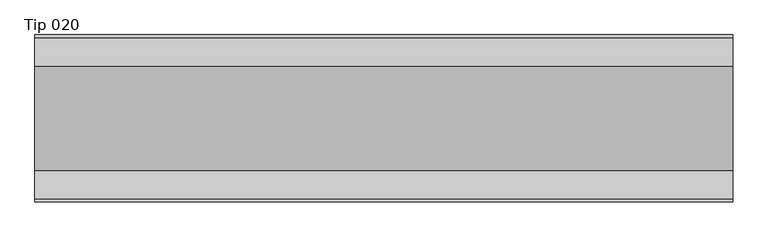
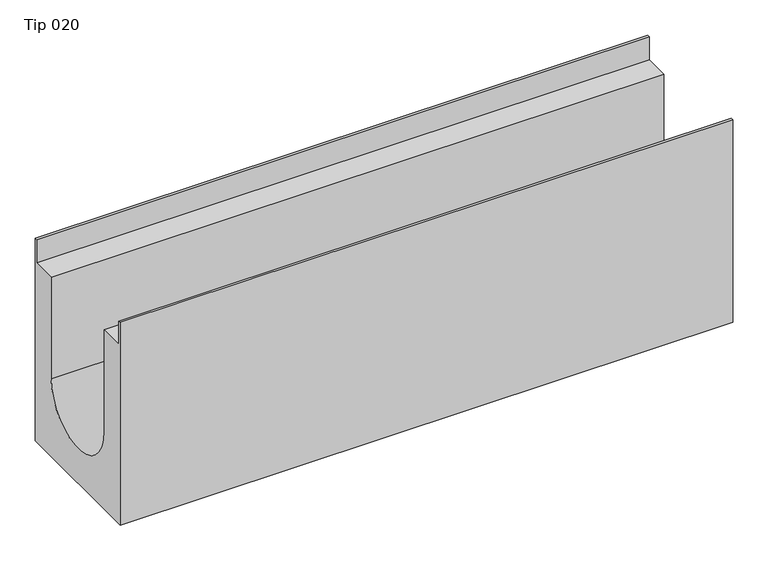
"""IFC4 building model written with IfcOpenShell, lengths in millimetres: proxy geometry, Tip 020."""

from ifc_helpers import new_model, si_unit, point, frame, frame_2d, origin, place, context, project, spatial, polyline, circle_curve, trimmed, segment, composite_curve, outline, extrude, source, transform, mapped, element, save


def tip_020_6c97b22b(model_context):
    return source(origin(), model_context, "Body", "SweptSolid", [
        extrude(outline(composite_curve([segment(polyline([(-120.0, -350.0), (-120.0, 0.0), (-116.0, 0.0), (-116.0, -40.0), (-75.0, -40.0), (-75.0, -215.0)]), True, "CONTINUOUS"), segment(trimmed(circle_curve(frame_2d((0.0, -215.0)), 75.0), [point((-75.0, -215.0))], [point((75.0, -215.0))], True, "CARTESIAN"), True, "CONTINUOUS"), segment(polyline([(75.0, -215.0), (75.0, -40.0), (116.0, -40.0), (116.0, 0.0), (120.0, 0.0), (120.0, -350.0), (-120.0, -350.0)]), True, "CONTINUOUS")], self_intersect=False)), frame((0.0, 0.0, 0.0), z_axis=(1.0, 0.0, 0.0), x_axis=(0.0, 1.0, 0.0)), (0.0, 0.0, 1.0), 1000.0),
    ])


if __name__ == "__main__":
    model = new_model("IFC4")
    model_context = context("Model", 3, world=origin())
    ifc_project = project(units=[si_unit("LENGTHUNIT", "METRE", prefix="MILLI")], contexts=[model_context])
    site = spatial("IfcSite", under=ifc_project)
    building = spatial("IfcBuilding", under=site)
    placement = place(None, origin())
    tip_020_shape = tip_020_6c97b22b(model_context)
    element("IfcBuildingElementProxy", 1, Name="Tip 020", ObjectType="Tip 020", at=placement, inside=building, context=model_context, shape_type="MappedRepresentation", body=[
        mapped(tip_020_shape, transform((0.0, 0.0, 0.0), x_axis=(1.0, 0.0, 0.0), y_axis=(0.0, 1.0, 0.0), z_axis=(0.0, 0.0, 1.0))),
    ])
    save(model, "model.ifc")
